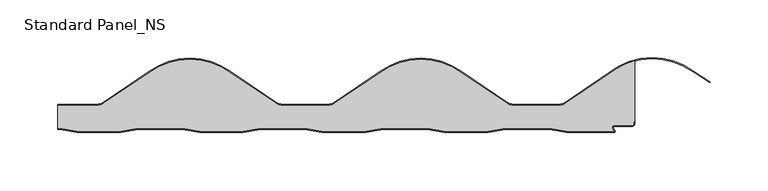
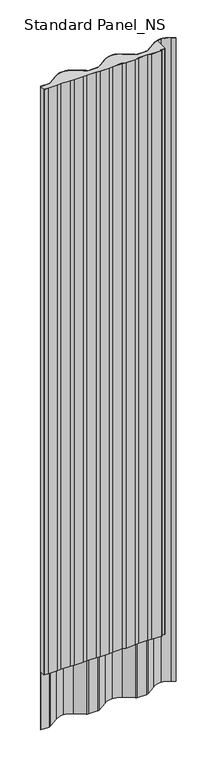
"""IFC4 building model written with IfcOpenShell, lengths in millimetres: proxy geometry, Standard Panel_NS."""

from ifc_helpers import new_model, si_unit, point, frame, frame_2d, origin, origin_with_axes, place, context, project, spatial, polyline, circle_curve, trimmed, segment, composite_curve, outline, extrude, source, transform, mapped, element, save
from ifc_brep_helpers import plane_surface, cylinder_surface, revolved_surface, advanced_brep


def standard_panel_ns_37da6630(model_context):
    return source(origin(), model_context, "Body", "SolidModel", [
        advanced_brep(
        [(-249.4999998, 3.3, 2527.968552), (-249.4999998, 23.5, 2527.968552), (-249.4999998, 23.5, 0.0), (-249.4999998, 3.3, 0.0), (145.5323327, 23.5, 2527.968552), (139.2770008, 25.4959769, 2527.968552), (99.7455674, 52.1089905, 2527.968552), (64.8322401, 63.5, 2527.968552), (29.9189128, 52.1089905, 2527.968552), (-9.6084138, 25.4988948, 2527.968552), (-15.8676529, 23.5, 2527.968552), (-54.4676673, 23.5, 2527.968552), (-60.7229992, 25.4959769, 2527.968552), (-100.2544326, 52.1089905, 2527.968552), (-135.1677599, 63.5, 2527.968552), (-170.0810872, 52.1089905, 2527.968552), (-209.6084138, 25.4988948, 2527.968552), (-215.8676529, 23.5, 2527.968552), (-247.6686994, 3.3, 2527.968552), (-232.6686994, 0.8, 2527.968552), (-194.8011195, 0.8, 2527.968552), (-179.8011195, 3.3, 2527.968552), (-141.6686994, 3.3, 2527.968552), (-126.6686994, 0.8, 2527.968552), (-88.8011195, 0.8, 2527.968552), (-73.8011195, 3.3, 2527.968552), (-35.6686994, 3.3, 2527.968552), (-20.6686994, 0.8, 2527.968552), (17.1988805, 0.8, 2527.968552), (32.1988805, 3.3, 2527.968552), (70.3313006, 3.3, 2527.968552), (85.3313006, 0.8, 2527.968552), (123.1988805, 0.8, 2527.968552), (138.1988805, 3.3, 2527.968552), (176.3313006, 3.3, 2527.968552), (191.3313006, 0.8, 2527.968552), (232.4394087, 0.8, 2527.968552), (230.804032, 3.3204106, 2527.968552), (232.3140212, 6.1001721, 2527.968552), (247.9000913, 6.1001721, 2527.968552), (249.2000906, 7.4001714, 2527.968552), (249.2000906, 9.4001722, 2527.968552), (250.0000906, 9.4001722, 2527.968552), (250.0000906, 62.14035, 2527.968552), (227.7645919, 50.7322407, 2527.968552), (190.3874794, 25.4959769, 2527.968552), (184.1321475, 23.5, 2527.968552), (145.5323327, 23.5, 0.0), (184.1321475, 23.5, 0.0), (190.3874794, 25.4959769, 0.0), (227.7645919, 50.7322407, 0.0), (250.0000906, 62.14035, 0.0), (250.0000906, 9.4001722, 0.0), (249.2000906, 9.4001722, 0.0), (249.2000906, 7.4001714, 0.0), (247.9000913, 6.1001721, 0.0), (232.3140212, 6.1001721, 0.0), (230.804032, 3.3204106, 0.0), (232.4394087, 0.8, 0.0), (191.3313006, 0.8, 0.0), (176.3313006, 3.3, 0.0), (138.1988805, 3.3, 0.0), (123.1988805, 0.8, 0.0), (85.3313006, 0.8, 0.0), (70.3313006, 3.3, 0.0), (32.1988805, 3.3, 0.0), (17.1988805, 0.8, 0.0), (-20.6686994, 0.8, 0.0), (-35.6686994, 3.3, 0.0), (-73.8011195, 3.3, 0.0), (-88.8011195, 0.8, 0.0), (-126.6686994, 0.8, 0.0), (-141.6686994, 3.3, 0.0), (-179.8011195, 3.3, 0.0), (-194.8011195, 0.8, 0.0), (-232.6686994, 0.8, 0.0), (-247.6686994, 3.3, 0.0), (-215.8676529, 23.5, 0.0), (-209.608413, 25.4988938, 0.0), (-170.0810872, 52.1089905, 0.0), (-135.1677599, 63.5, 0.0), (-100.2544326, 52.1089905, 0.0), (-60.7229992, 25.4959769, 0.0), (-54.4676673, 23.5, 0.0), (-15.8676529, 23.5, 0.0), (-9.608413, 25.4988938, 0.0), (29.9189128, 52.1089905, 0.0), (64.8322401, 63.5, 0.0), (99.7455674, 52.1089905, 0.0), (139.2770008, 25.4959769, 0.0)],
        [
            (0, 1),
            (1, 2),
            (2, 3),
            (3, 0),
            (4, 5, circle_curve(frame((145.5323327, 34.3, 2527.968552), z_axis=(0.0, 0.0, -1.0), x_axis=(1.0, 0.0, 0.0)), 10.8)),
            (5, 6, circle_curve(frame((-407.9133967, -744.6433117, 2527.968552), z_axis=(0.0, 0.0, 1.0), x_axis=(1.0, 0.0, 0.0)), 944.7390407)),
            (6, 7, circle_curve(frame((64.8322401, 4.3, 2527.968552), z_axis=(0.0, 0.0, 1.0), x_axis=(1.0, 0.0, 0.0)), 59.2)),
            (7, 8, circle_curve(frame((64.8322401, 4.3, 2527.968552), z_axis=(0.0, 0.0, 1.0), x_axis=(1.0, 0.0, 0.0)), 59.2)),
            (8, 9, circle_curve(frame((537.5778769, -744.6433117, 2527.968552), z_axis=(0.0, 0.0, 1.0), x_axis=(1.0, 0.0, 0.0)), 944.7390407)),
            (9, 10, circle_curve(frame((-15.872948, 34.3159692, 2527.968552), z_axis=(0.0, 0.0, -1.0), x_axis=(1.0, 0.0, 0.0)), 10.8159704)),
            (10, 11),
            (11, 12, circle_curve(frame((-54.4676673, 34.3, 2527.968552), z_axis=(0.0, 0.0, -1.0), x_axis=(1.0, 0.0, 0.0)), 10.8)),
            (12, 13, circle_curve(frame((-607.9133967, -744.6433117, 2527.968552), z_axis=(0.0, 0.0, 1.0), x_axis=(1.0, 0.0, 0.0)), 944.7390407)),
            (13, 14, circle_curve(frame((-135.1677599, 4.3, 2527.968552), z_axis=(0.0, 0.0, 1.0), x_axis=(1.0, 0.0, 0.0)), 59.2)),
            (14, 15, circle_curve(frame((-135.1677599, 4.3, 2527.968552), z_axis=(0.0, 0.0, 1.0), x_axis=(1.0, 0.0, 0.0)), 59.2)),
            (15, 16, circle_curve(frame((337.5778769, -744.6433117, 2527.968552), z_axis=(0.0, 0.0, 1.0), x_axis=(1.0, 0.0, 0.0)), 944.7390407)),
            (16, 17, circle_curve(frame((-215.872948, 34.3159692, 2527.968552), z_axis=(0.0, 0.0, -1.0), x_axis=(1.0, 0.0, 0.0)), 10.8159704)),
            (17, 1),
            (0, 18),
            (18, 19),
            (19, 20),
            (20, 21),
            (21, 22),
            (22, 23),
            (23, 24),
            (24, 25),
            (25, 26),
            (26, 27),
            (27, 28),
            (28, 29),
            (29, 30),
            (30, 31),
            (31, 32),
            (32, 33),
            (33, 34),
            (34, 35),
            (35, 36),
            (36, 37),
            (37, 38, circle_curve(frame((232.3140212, 4.3001721, 2527.968552), z_axis=(0.0, 0.0, -1.0), x_axis=(1.0, 0.0, 0.0)), 1.8)),
            (38, 39),
            (39, 40, circle_curve(frame((247.9000913, 7.4001714, 2527.968552), z_axis=(0.0, 0.0, 1.0), x_axis=(1.0, 0.0, 0.0)), 1.2999993)),
            (40, 41),
            (41, 42),
            (42, 43),
            (43, 44, circle_curve(frame((265.2973575, 4.9508962, 2527.968552), z_axis=(0.0, 0.0, 1.0), x_axis=(1.0, 0.0, 0.0)), 59.2)),
            (44, 45, circle_curve(frame((737.5778769, -744.6433117, 2527.968552), z_axis=(0.0, 0.0, 1.0), x_axis=(1.0, 0.0, 0.0)), 944.7390407)),
            (45, 46, circle_curve(frame((184.1321475, 34.3, 2527.968552), z_axis=(0.0, 0.0, -1.0), x_axis=(1.0, 0.0, 0.0)), 10.8)),
            (46, 4),
            (47, 48),
            (48, 49, circle_curve(frame((184.1321475, 34.3, 0.0), z_axis=(0.0, 0.0, 1.0), x_axis=(1.0, 0.0, 0.0)), 10.8)),
            (49, 50, circle_curve(frame((737.5778769, -744.6433117, 0.0), z_axis=(0.0, 0.0, -1.0), x_axis=(1.0, 0.0, 0.0)), 944.7390407)),
            (50, 51, circle_curve(frame((265.2973575, 4.9508962, 0.0), z_axis=(0.0, 0.0, -1.0), x_axis=(1.0, 0.0, 0.0)), 59.2)),
            (51, 52),
            (52, 53),
            (53, 54),
            (54, 55, circle_curve(frame((247.9000913, 7.4001714, 0.0), z_axis=(0.0, 0.0, -1.0), x_axis=(1.0, 0.0, 0.0)), 1.2999993)),
            (55, 56),
            (56, 57, circle_curve(frame((232.3140212, 4.3001721, 0.0), z_axis=(0.0, 0.0, 1.0), x_axis=(1.0, 0.0, 0.0)), 1.8)),
            (57, 58),
            (58, 59),
            (59, 60),
            (60, 61),
            (61, 62),
            (62, 63),
            (63, 64),
            (64, 65),
            (65, 66),
            (66, 67),
            (67, 68),
            (68, 69),
            (69, 70),
            (70, 71),
            (71, 72),
            (72, 73),
            (73, 74),
            (74, 75),
            (75, 76),
            (76, 3),
            (2, 77),
            (77, 78, circle_curve(frame((-215.872948, 34.3159692, 0.0), z_axis=(0.0, 0.0, 1.0), x_axis=(1.0, 0.0, 0.0)), 10.8159704)),
            (78, 79, circle_curve(frame((337.5778769, -744.6433117, 0.0), z_axis=(0.0, 0.0, -1.0), x_axis=(1.0, 0.0, 0.0)), 944.7390407)),
            (79, 80, circle_curve(frame((-135.1677599, 4.3, 0.0), z_axis=(0.0, 0.0, -1.0), x_axis=(1.0, 0.0, 0.0)), 59.2)),
            (80, 81, circle_curve(frame((-135.1677599, 4.3, 0.0), z_axis=(0.0, 0.0, -1.0), x_axis=(1.0, 0.0, 0.0)), 59.2)),
            (81, 82, circle_curve(frame((-607.9133967, -744.6433117, 0.0), z_axis=(0.0, 0.0, -1.0), x_axis=(1.0, 0.0, 0.0)), 944.7390407)),
            (82, 83, circle_curve(frame((-54.4676673, 34.3, 0.0), z_axis=(0.0, 0.0, 1.0), x_axis=(1.0, 0.0, 0.0)), 10.8)),
            (83, 84),
            (84, 85, circle_curve(frame((-15.872948, 34.3159692, 0.0), z_axis=(0.0, 0.0, 1.0), x_axis=(1.0, 0.0, 0.0)), 10.8159704)),
            (85, 86, circle_curve(frame((537.5778769, -744.6433117, 0.0), z_axis=(0.0, 0.0, -1.0), x_axis=(1.0, 0.0, 0.0)), 944.7390407)),
            (86, 87, circle_curve(frame((64.8322401, 4.3, 0.0), z_axis=(0.0, 0.0, -1.0), x_axis=(1.0, 0.0, 0.0)), 59.2)),
            (87, 88, circle_curve(frame((64.8322401, 4.3, 0.0), z_axis=(0.0, 0.0, -1.0), x_axis=(1.0, 0.0, 0.0)), 59.2)),
            (88, 89, circle_curve(frame((-407.9133967, -744.6433117, 0.0), z_axis=(0.0, 0.0, -1.0), x_axis=(1.0, 0.0, 0.0)), 944.7390407)),
            (89, 47, circle_curve(frame((145.5323327, 34.3, 0.0), z_axis=(0.0, 0.0, 1.0), x_axis=(1.0, 0.0, 0.0)), 10.8)),
            (4, 47),
            (89, 5),
            (88, 6),
            (87, 7),
            (86, 8),
            (85, 9),
            (84, 10),
            (83, 11),
            (82, 12),
            (81, 13),
            (80, 14),
            (79, 15),
            (78, 16),
            (77, 17),
            (76, 18),
            (75, 19),
            (74, 20),
            (73, 21),
            (72, 22),
            (71, 23),
            (70, 24),
            (69, 25),
            (68, 26),
            (67, 27),
            (66, 28),
            (65, 29),
            (64, 30),
            (63, 31),
            (62, 32),
            (61, 33),
            (60, 34),
            (59, 35),
            (58, 36),
            (57, 37),
            (56, 38),
            (55, 39),
            (54, 40),
            (53, 41),
            (52, 42),
            (51, 43),
            (50, 44),
            (49, 45),
            (48, 46),
        ],
        [
            plane_surface(frame((-249.4999998, -30.0, 2527.968552), z_axis=(-1.0, 0.0, 0.0), x_axis=(0.0, 0.0, -1.0))),
            plane_surface(frame((-249.9999094, 0.0, 2527.968552), z_axis=(0.0, 0.0, 1.0), x_axis=(0.0, -1.0, 0.0))),
            plane_surface(frame((-249.9999094, 0.0, 0.0), z_axis=(0.0, 0.0, -1.0), x_axis=(0.0, -1.0, 0.0))),
            revolved_surface(polyline([(156.33233270000002, 34.3, 0.0), (156.33233270000002, 34.3, 2527.968552)]), (145.5323327, 34.3, 2527.968552), (0.0, 0.0, -1.0)),
            cylinder_surface(frame((-407.9133967, -744.6433117, 2527.968552), z_axis=(0.0, 0.0, 1.0), x_axis=(1.0, 0.0, 0.0)), 944.7390407),
            cylinder_surface(frame((64.8322401, 4.3, 2527.968552), z_axis=(0.0, 0.0, 1.0), x_axis=(1.0, 0.0, 0.0)), 59.2),
            cylinder_surface(frame((537.5778769, -744.6433117, 2527.968552), z_axis=(0.0, 0.0, 1.0), x_axis=(1.0, 0.0, 0.0)), 944.7390407),
            revolved_surface(polyline([(-5.0569776, 34.3159692, 0.0), (-5.0569776, 34.3159692, 2527.968552)]), (-15.872948, 34.3159692, 2527.968552), (0.0, 0.0, -1.0)),
            plane_surface(frame((-15.8676529, 23.5, 2527.968552), z_axis=(0.0, 1.0, 0.0), x_axis=(0.0, 0.0, -1.0))),
            revolved_surface(polyline([(-43.667667300000005, 34.3, 0.0), (-43.667667300000005, 34.3, 2527.968552)]), (-54.4676673, 34.3, 2527.968552), (0.0, 0.0, -1.0)),
            cylinder_surface(frame((-607.9133967, -744.6433117, 2527.968552), z_axis=(0.0, 0.0, 1.0), x_axis=(1.0, 0.0, 0.0)), 944.7390407),
            cylinder_surface(frame((-135.1677599, 4.3, 2527.968552), z_axis=(0.0, 0.0, 1.0), x_axis=(1.0, 0.0, 0.0)), 59.2),
            cylinder_surface(frame((337.5778769, -744.6433117, 2527.968552), z_axis=(0.0, 0.0, 1.0), x_axis=(1.0, 0.0, 0.0)), 944.7390407),
            revolved_surface(polyline([(-205.0569776, 34.3159692, 0.0), (-205.0569776, 34.3159692, 2527.968552)]), (-215.872948, 34.3159692, 2527.968552), (0.0, 0.0, -1.0)),
            plane_surface(frame((-215.8676529, 23.5, 2527.968552), z_axis=(0.0, 1.0, 0.0), x_axis=(0.0, 0.0, -1.0))),
            plane_surface(frame((-285.8011195, 3.3, 2527.968552), z_axis=(0.0, -1.0, 0.0), x_axis=(0.0, 0.0, -1.0))),
            plane_surface(frame((-247.6686994, 3.3, 2527.968552), z_axis=(-0.16439898730535413, -0.9863939238321443, 0.0), x_axis=(0.0, 0.0, -1.0))),
            plane_surface(frame((-232.6686994, 0.8, 2527.968552), z_axis=(0.0, -1.0, 0.0), x_axis=(0.0, 0.0, -1.0))),
            plane_surface(frame((-194.8011195, 0.8, 2527.968552), z_axis=(0.1643989873053605, -0.9863939238321432, 0.0), x_axis=(0.0, 0.0, -1.0))),
            plane_surface(frame((-179.8011195, 3.3, 2527.968552), z_axis=(0.0, -1.0, 0.0), x_axis=(0.0, 0.0, -1.0))),
            plane_surface(frame((-141.6686994, 3.3, 2527.968552), z_axis=(-0.16439898730535482, -0.9863939238321442, 0.0), x_axis=(0.0, 0.0, -1.0))),
            plane_surface(frame((-126.6686994, 0.8, 2527.968552), z_axis=(0.0, -1.0, 0.0), x_axis=(0.0, 0.0, -1.0))),
            plane_surface(frame((-88.8011195, 0.8, 2527.968552), z_axis=(0.1643989873053612, -0.9863939238321431, 0.0), x_axis=(0.0, 0.0, -1.0))),
            plane_surface(frame((-73.8011195, 3.3, 2527.968552), z_axis=(0.0, -1.0, 0.0), x_axis=(0.0, 0.0, -1.0))),
            plane_surface(frame((-35.6686994, 3.3, 2527.968552), z_axis=(-0.16439898730535482, -0.9863939238321442, 0.0), x_axis=(0.0, 0.0, -1.0))),
            plane_surface(frame((-20.6686994, 0.8, 2527.968552), z_axis=(0.0, -1.0, 0.0), x_axis=(0.0, 0.0, -1.0))),
            plane_surface(frame((17.1988805, 0.8, 2527.968552), z_axis=(0.1643989873053612, -0.9863939238321431, 0.0), x_axis=(0.0, 0.0, -1.0))),
            plane_surface(frame((32.1988805, 3.3, 2527.968552), z_axis=(0.0, -1.0, 0.0), x_axis=(0.0, 0.0, -1.0))),
            plane_surface(frame((70.3313006, 3.3, 2527.968552), z_axis=(-0.1643989873053548, -0.9863939238321442, 0.0), x_axis=(0.0, 0.0, -1.0))),
            plane_surface(frame((85.3313006, 0.8, 2527.968552), z_axis=(0.0, -1.0, 0.0), x_axis=(0.0, 0.0, -1.0))),
            plane_surface(frame((123.1988805, 0.8, 2527.968552), z_axis=(0.16439898730536118, -0.9863939238321431, 0.0), x_axis=(0.0, 0.0, -1.0))),
            plane_surface(frame((138.1988805, 3.3, 2527.968552), z_axis=(0.0, -1.0, 0.0), x_axis=(0.0, 0.0, -1.0))),
            plane_surface(frame((176.3313006, 3.3, 2527.968552), z_axis=(-0.1643989873053548, -0.9863939238321442, 0.0), x_axis=(0.0, 0.0, -1.0))),
            plane_surface(frame((191.3313006, 0.8, 2527.968552), z_axis=(0.0, -1.0, 0.0), x_axis=(0.0, 0.0, -1.0))),
            plane_surface(frame((232.4394087, 0.8, 2527.968552), z_axis=(0.838882890058634, 0.5443119480287694, 0.0), x_axis=(0.0, 0.0, -1.0))),
            revolved_surface(polyline([(234.11402120000002, 4.3001721, 0.0), (234.11402120000002, 4.3001721, 2527.968552)]), (232.3140212, 4.3001721, 2527.968552), (0.0, 0.0, -1.0)),
            plane_surface(frame((232.3140212, 6.1001721, 2527.968552), z_axis=(0.0, -1.0, 0.0), x_axis=(0.0, 0.0, -1.0))),
            cylinder_surface(frame((247.9000913, 7.4001714, 2527.968552), z_axis=(0.0, 0.0, 1.0), x_axis=(1.0, 0.0, 0.0)), 1.2999993),
            plane_surface(frame((249.2000906, 7.4001714, 2527.968552), z_axis=(1.0, 0.0, 0.0), x_axis=(0.0, 0.0, -1.0))),
            plane_surface(frame((249.2000906, 9.4001722, 2527.968552), z_axis=(0.0, -1.0, 0.0), x_axis=(0.0, 0.0, -1.0))),
            plane_surface(frame((250.0000906, 9.4001722, 2527.968552), z_axis=(1.0, 0.0, 0.0), x_axis=(0.0, 0.0, -1.0))),
            cylinder_surface(frame((265.2973575, 4.9508962, 2527.968552), z_axis=(0.0, 0.0, 1.0), x_axis=(1.0, 0.0, 0.0)), 59.2),
            cylinder_surface(frame((737.5778769, -744.6433117, 2527.968552), z_axis=(0.0, 0.0, 1.0), x_axis=(1.0, 0.0, 0.0)), 944.7390407),
            revolved_surface(polyline([(194.9321475, 34.3, 0.0), (194.9321475, 34.3, 2527.968552)]), (184.1321475, 34.3, 2527.968552), (0.0, 0.0, -1.0)),
            plane_surface(frame((184.1321475, 23.5, 2527.968552), z_axis=(0.0, 1.0, 0.0), x_axis=(0.0, 0.0, -1.0))),
        ],
        [
            (0, [[1, 2, 3, 4]]),
            (1, [[5, 6, 7, 8, 9, 10, 11, 12, 13, 14, 15, 16, 17, 18, -1, 19, 20, 21, 22, 23, 24, 25, 26, 27, 28, 29, 30, 31, 32, 33, 34, 35, 36, 37, 38, 39, 40, 41, 42, 43, 44, 45, 46, 47, 48]]),
            (2, [[49, 50, 51, 52, 53, 54, 55, 56, 57, 58, 59, 60, 61, 62, 63, 64, 65, 66, 67, 68, 69, 70, 71, 72, 73, 74, 75, 76, 77, 78, -3, 79, 80, 81, 82, 83, 84, 85, 86, 87, 88, 89, 90, 91, 92]]),
            (3, [[-5, 93, -92, 94]]),
            (4, [[-6, -94, -91, 95]]),
            (5, [[-7, -95, -90, 96]]),
            (5, [[-8, -96, -89, 97]]),
            (6, [[-9, -97, -88, 98]]),
            (7, [[-10, -98, -87, 99]]),
            (8, [[-11, -99, -86, 100]]),
            (9, [[-12, -100, -85, 101]]),
            (10, [[-13, -101, -84, 102]]),
            (11, [[-14, -102, -83, 103]]),
            (11, [[-15, -103, -82, 104]]),
            (12, [[-16, -104, -81, 105]]),
            (13, [[-17, -105, -80, 106]]),
            (14, [[-106, -79, -2, -18]]),
            (15, [[107, -19, -4, -78]]),
            (16, [[-20, -107, -77, 108]]),
            (17, [[-21, -108, -76, 109]]),
            (18, [[-22, -109, -75, 110]]),
            (19, [[-23, -110, -74, 111]]),
            (20, [[-24, -111, -73, 112]]),
            (21, [[-25, -112, -72, 113]]),
            (22, [[-26, -113, -71, 114]]),
            (23, [[-27, -114, -70, 115]]),
            (24, [[-28, -115, -69, 116]]),
            (25, [[-29, -116, -68, 117]]),
            (26, [[-30, -117, -67, 118]]),
            (27, [[-31, -118, -66, 119]]),
            (28, [[-32, -119, -65, 120]]),
            (29, [[-33, -120, -64, 121]]),
            (30, [[-34, -121, -63, 122]]),
            (31, [[-35, -122, -62, 123]]),
            (32, [[-36, -123, -61, 124]]),
            (33, [[-37, -124, -60, 125]]),
            (34, [[-38, -125, -59, 126]]),
            (35, [[-39, -126, -58, 127]]),
            (36, [[-40, -127, -57, 128]]),
            (37, [[-41, -128, -56, 129]]),
            (38, [[-42, -129, -55, 130]]),
            (39, [[-43, -130, -54, 131]]),
            (40, [[-44, -131, -53, 132]]),
            (41, [[-45, -132, -52, 133]]),
            (42, [[-46, -133, -51, 134]]),
            (43, [[-47, -134, -50, 135]]),
            (44, [[-48, -135, -49, -93]]),
        ],
    ),
        extrude(outline(composite_curve([segment(trimmed(circle_curve(frame_2d((247.9000913, 7.4001714)), 2.0999993), [point((250.0000906, 7.4001714))], [point((247.9000913, 5.3001721))], False, "CARTESIAN"), True, "CONTINUOUS"), segment(polyline([(247.9000913, 5.3001721), (232.3140212, 5.3001721)]), True, "CONTINUOUS"), segment(trimmed(circle_curve(frame_2d((232.3140212, 4.3001721)), 1.0), [point((232.3140212, 5.3001721))], [point((231.4751383, 3.7558601))], True, "CARTESIAN"), True, "CONTINUOUS"), segment(polyline([(231.4751383, 3.7558601), (232.9101087, 1.5443119)]), True, "CONTINUOUS"), segment(trimmed(circle_curve(frame_2d((232.0712258, 1.0)), 1.0), [point((232.9101087, 1.5443119))], [point((232.0712258, 0.0))], False, "CARTESIAN"), True, "CONTINUOUS"), segment(polyline([(232.0712258, 0.0), (191.2650906, 0.0), (176.2650906, 2.5), (138.2650906, 2.5), (123.2650906, 0.0), (85.2650906, 0.0), (70.2650906, 2.5), (32.2650906, 2.5), (17.2650906, 0.0), (-20.7349094, 0.0), (-35.7349094, 2.5), (-73.7349094, 2.5), (-88.7349094, 0.0), (-126.7349094, 0.0), (-141.7349094, 2.5), (-179.7349094, 2.5), (-194.7349094, 0.0), (-232.7349094, 0.0), (-247.7349094, 2.5), (-249.4999998, 2.5), (-249.4999998, 3.3), (-247.6686994, 3.3), (-232.6686994, 0.8), (-194.8011195, 0.8), (-179.8011195, 3.3), (-141.6686994, 3.3), (-126.6686994, 0.8), (-88.8011195, 0.8), (-73.8011195, 3.3), (-35.6686994, 3.3), (-20.6686994, 0.8), (17.1988805, 0.8), (32.1988805, 3.3), (70.3313006, 3.3), (85.3313006, 0.8), (123.1988805, 0.8), (138.1988805, 3.3), (176.3313006, 3.3), (191.3313006, 0.8), (232.4394087, 0.8), (230.804032, 3.3204106)]), True, "CONTINUOUS"), segment(trimmed(circle_curve(frame_2d((232.3140212, 4.3001721)), 1.8), [point((230.804032, 3.3204106))], [point((232.3140212, 6.1001721))], False, "CARTESIAN"), True, "CONTINUOUS"), segment(polyline([(232.3140212, 6.1001721), (247.9000913, 6.1001721)]), True, "CONTINUOUS"), segment(trimmed(circle_curve(frame_2d((247.9000913, 7.4001714)), 1.2999993), [point((247.9000913, 6.1001721))], [point((249.2000906, 7.4001714))], True, "CARTESIAN"), True, "CONTINUOUS"), segment(polyline([(249.2000906, 7.4001714), (249.2000906, 9.4001722), (250.0000906, 9.4001722), (250.0000906, 7.4001714)]), True, "CONTINUOUS")], self_intersect=False)), origin_with_axes(), (0.0, 0.0, 1.0), 2527.968552),
        advanced_brep(
        [(-215.8676529, 23.5, 2527.968552), (-209.608413, 25.4988938, 2527.968552), (-170.0810872, 52.1089905, 2527.968552), (-135.1677599, 63.5, 2527.968552), (-100.2544326, 52.1089905, 2527.968552), (-60.7229992, 25.4959769, 2527.968552), (-54.4676673, 23.5, 2527.968552), (-15.8676529, 23.5, 2527.968552), (-9.608413, 25.4988938, 2527.968552), (29.9189128, 52.1089905, 2527.968552), (64.8322401, 63.5, 2527.968552), (99.7455674, 52.1089905, 2527.968552), (139.2770008, 25.4959769, 2527.968552), (145.5323327, 23.5, 2527.968552), (184.1321475, 23.5, 2527.968552), (190.3874794, 25.4959769, 2527.968552), (227.7645919, 50.7322407, 2527.968552), (265.2973575, 64.1508962, 2527.968552), (300.1967243, 52.7700785, 2527.968552), (315.0958708, 43.0782637, 2527.968552), (315.5384206, 43.7447092, 2527.968552), (300.6478433, 53.431234, 2527.968552), (265.2973575, 64.9508962, 2527.968552), (227.2936611, 51.3806179, 2527.968552), (189.9241215, 26.1481268, 2527.968552), (184.1321475, 24.3, 2527.968552), (145.5323327, 24.3, 2527.968552), (139.7403587, 26.1481268, 2527.968552), (100.1967963, 52.7700749, 2527.968552), (64.8322401, 64.3, 2527.968552), (29.4676839, 52.7700749, 2527.968552), (-10.0717682, 26.1510471, 2527.968552), (-15.8678525, 24.3, 2527.968552), (-54.4676673, 24.3, 2527.968552), (-60.2596413, 26.1481268, 2527.968552), (-99.8032037, 52.7700749, 2527.968552), (-135.1677599, 64.3, 2527.968552), (-170.5323161, 52.7700749, 2527.968552), (-210.0717682, 26.1510471, 2527.968552), (-215.8678525, 24.3, 2527.968552), (-249.4999998, 24.3, 2527.968552), (-249.4999998, 23.5, 2527.968552), (-215.8678525, 24.3, -250.0), (-210.0717675, 26.1510461, -250.0), (-170.5323161, 52.7700749, -250.0), (-135.1677599, 64.3, -250.0), (-99.8032037, 52.7700749, -250.0), (-60.2596413, 26.1481268, -250.0), (-54.4676673, 24.3, -250.0), (-15.8678525, 24.3, -250.0), (-10.0717675, 26.1510461, -250.0), (29.4676839, 52.7700749, -250.0), (64.8322401, 64.3, -250.0), (100.1967963, 52.7700749, -250.0), (139.7403587, 26.1481268, -250.0), (145.5323327, 24.3, -250.0), (184.1321475, 24.3, -250.0), (189.9241215, 26.1481268, -250.0), (227.2936611, 51.3806179, -250.0), (265.2973575, 64.9508962, -250.0), (300.6478433, 53.431234, -250.0), (315.5384206, 43.7447092, -250.0), (315.0958708, 43.0782637, -250.0), (300.1967243, 52.7700785, -250.0), (265.2973575, 64.1508962, -250.0), (227.7645919, 50.7322407, -250.0), (190.3874794, 25.4959769, -250.0), (184.1321475, 23.5, -250.0), (145.5323327, 23.5, -250.0), (139.2770008, 25.4959769, -250.0), (99.7455674, 52.1089905, -250.0), (64.8322401, 63.5, -250.0), (29.9189128, 52.1089905, -250.0), (-9.6084138, 25.4988948, -250.0), (-15.8676529, 23.5, -250.0), (-54.4676673, 23.5, -250.0), (-60.7229992, 25.4959769, -250.0), (-100.2544326, 52.1089905, -250.0), (-135.1677599, 63.5, -250.0), (-170.0810872, 52.1089905, -250.0), (-209.6084138, 25.4988948, -250.0), (-215.8676529, 23.5, -250.0), (-249.4999998, 23.5, -250.0), (-249.4999998, 24.3, -250.0)],
        [
            (0, 1, circle_curve(frame((-215.872948, 34.3159692, 2527.968552), z_axis=(0.0, 0.0, 1.0), x_axis=(1.0, 0.0, 0.0)), 10.8159704)),
            (1, 2, circle_curve(frame((337.5778769, -744.6433117, 2527.968552), z_axis=(0.0, 0.0, -1.0), x_axis=(1.0, 0.0, 0.0)), 944.7390407)),
            (2, 3, circle_curve(frame((-135.1677599, 4.3, 2527.968552), z_axis=(0.0, 0.0, -1.0), x_axis=(1.0, 0.0, 0.0)), 59.2)),
            (3, 4, circle_curve(frame((-135.1677599, 4.3, 2527.968552), z_axis=(0.0, 0.0, -1.0), x_axis=(1.0, 0.0, 0.0)), 59.2)),
            (4, 5, circle_curve(frame((-607.9133967, -744.6433117, 2527.968552), z_axis=(0.0, 0.0, -1.0), x_axis=(1.0, 0.0, 0.0)), 944.7390407)),
            (5, 6, circle_curve(frame((-54.4676673, 34.3, 2527.968552), z_axis=(0.0, 0.0, 1.0), x_axis=(1.0, 0.0, 0.0)), 10.8)),
            (6, 7),
            (7, 8, circle_curve(frame((-15.872948, 34.3159692, 2527.968552), z_axis=(0.0, 0.0, 1.0), x_axis=(1.0, 0.0, 0.0)), 10.8159704)),
            (8, 9, circle_curve(frame((537.5778769, -744.6433117, 2527.968552), z_axis=(0.0, 0.0, -1.0), x_axis=(1.0, 0.0, 0.0)), 944.7390407)),
            (9, 10, circle_curve(frame((64.8322401, 4.3, 2527.968552), z_axis=(0.0, 0.0, -1.0), x_axis=(1.0, 0.0, 0.0)), 59.2)),
            (10, 11, circle_curve(frame((64.8322401, 4.3, 2527.968552), z_axis=(0.0, 0.0, -1.0), x_axis=(1.0, 0.0, 0.0)), 59.2)),
            (11, 12, circle_curve(frame((-407.9133967, -744.6433117, 2527.968552), z_axis=(0.0, 0.0, -1.0), x_axis=(1.0, 0.0, 0.0)), 944.7390407)),
            (12, 13, circle_curve(frame((145.5323327, 34.3, 2527.968552), z_axis=(0.0, 0.0, 1.0), x_axis=(1.0, 0.0, 0.0)), 10.8)),
            (13, 14),
            (14, 15, circle_curve(frame((184.1321475, 34.3, 2527.968552), z_axis=(0.0, 0.0, 1.0), x_axis=(1.0, 0.0, 0.0)), 10.8)),
            (15, 16, circle_curve(frame((737.5778769, -744.6433117, 2527.968552), z_axis=(0.0, 0.0, -1.0), x_axis=(1.0, 0.0, 0.0)), 944.7390407)),
            (16, 17, circle_curve(frame((265.2973575, 4.9508962, 2527.968552), z_axis=(0.0, 0.0, -1.0), x_axis=(1.0, 0.0, 0.0)), 59.2)),
            (17, 18, circle_curve(frame((265.2973575, 4.9508962, 2527.968552), z_axis=(0.0, 0.0, -1.0), x_axis=(1.0, 0.0, 0.0)), 59.2)),
            (18, 19, circle_curve(frame((-204.4492429, -739.3160553, 2527.968552), z_axis=(0.0, 0.0, -1.0), x_axis=(1.0, 0.0, 0.0)), 939.1847505)),
            (19, 20),
            (20, 21, circle_curve(frame((-204.4492429, -739.3160553, 2527.968552), z_axis=(0.0, 0.0, 1.0), x_axis=(1.0, 0.0, 0.0)), 939.9847505)),
            (21, 22, circle_curve(frame((265.2973575, 4.9508962, 2527.968552), z_axis=(0.0, 0.0, 1.0), x_axis=(1.0, 0.0, 0.0)), 60.0)),
            (22, 23, circle_curve(frame((265.2973575, 4.9508962, 2527.968552), z_axis=(0.0, 0.0, 1.0), x_axis=(1.0, 0.0, 0.0)), 60.0)),
            (23, 24, circle_curve(frame((737.5778769, -744.6433117, 2527.968552), z_axis=(0.0, 0.0, 1.0), x_axis=(1.0, 0.0, 0.0)), 945.5390407)),
            (24, 25, circle_curve(frame((184.1321475, 34.3, 2527.968552), z_axis=(0.0, 0.0, -1.0), x_axis=(1.0, 0.0, 0.0)), 10.0)),
            (25, 26),
            (26, 27, circle_curve(frame((145.5323327, 34.3, 2527.968552), z_axis=(0.0, 0.0, -1.0), x_axis=(1.0, 0.0, 0.0)), 10.0)),
            (27, 28, circle_curve(frame((-407.9133967, -744.6433117, 2527.968552), z_axis=(0.0, 0.0, 1.0), x_axis=(1.0, 0.0, 0.0)), 945.5390407)),
            (28, 29, circle_curve(frame((64.8322401, 4.3, 2527.968552), z_axis=(0.0, 0.0, 1.0), x_axis=(1.0, 0.0, 0.0)), 60.0)),
            (29, 30, circle_curve(frame((64.8322401, 4.3, 2527.968552), z_axis=(0.0, 0.0, 1.0), x_axis=(1.0, 0.0, 0.0)), 60.0)),
            (30, 31, circle_curve(frame((537.5778769, -744.6433117, 2527.968552), z_axis=(0.0, 0.0, 1.0), x_axis=(1.0, 0.0, 0.0)), 945.5390407)),
            (31, 32, circle_curve(frame((-15.872948, 34.3159692, 2527.968552), z_axis=(0.0, 0.0, -1.0), x_axis=(1.0, 0.0, 0.0)), 10.0159704)),
            (32, 33),
            (33, 34, circle_curve(frame((-54.4676673, 34.3, 2527.968552), z_axis=(0.0, 0.0, -1.0), x_axis=(1.0, 0.0, 0.0)), 10.0)),
            (34, 35, circle_curve(frame((-607.9133967, -744.6433117, 2527.968552), z_axis=(0.0, 0.0, 1.0), x_axis=(1.0, 0.0, 0.0)), 945.5390407)),
            (35, 36, circle_curve(frame((-135.1677599, 4.3, 2527.968552), z_axis=(0.0, 0.0, 1.0), x_axis=(1.0, 0.0, 0.0)), 60.0)),
            (36, 37, circle_curve(frame((-135.1677599, 4.3, 2527.968552), z_axis=(0.0, 0.0, 1.0), x_axis=(1.0, 0.0, 0.0)), 60.0)),
            (37, 38, circle_curve(frame((337.5778769, -744.6433117, 2527.968552), z_axis=(0.0, 0.0, 1.0), x_axis=(1.0, 0.0, 0.0)), 945.5390407)),
            (38, 39, circle_curve(frame((-215.872948, 34.3159692, 2527.968552), z_axis=(0.0, 0.0, -1.0), x_axis=(1.0, 0.0, 0.0)), 10.0159704)),
            (39, 40),
            (40, 41),
            (41, 0),
            (42, 43, circle_curve(frame((-215.872948, 34.3159692, -250.0), z_axis=(0.0, 0.0, 1.0), x_axis=(1.0, 0.0, 0.0)), 10.0159704)),
            (43, 44, circle_curve(frame((337.5778769, -744.6433117, -250.0), z_axis=(0.0, 0.0, -1.0), x_axis=(1.0, 0.0, 0.0)), 945.5390407)),
            (44, 45, circle_curve(frame((-135.1677599, 4.3, -250.0), z_axis=(0.0, 0.0, -1.0), x_axis=(1.0, 0.0, 0.0)), 60.0)),
            (45, 46, circle_curve(frame((-135.1677599, 4.3, -250.0), z_axis=(0.0, 0.0, -1.0), x_axis=(1.0, 0.0, 0.0)), 60.0)),
            (46, 47, circle_curve(frame((-607.9133967, -744.6433117, -250.0), z_axis=(0.0, 0.0, -1.0), x_axis=(1.0, 0.0, 0.0)), 945.5390407)),
            (47, 48, circle_curve(frame((-54.4676673, 34.3, -250.0), z_axis=(0.0, 0.0, 1.0), x_axis=(1.0, 0.0, 0.0)), 10.0)),
            (48, 49),
            (49, 50, circle_curve(frame((-15.872948, 34.3159692, -250.0), z_axis=(0.0, 0.0, 1.0), x_axis=(1.0, 0.0, 0.0)), 10.0159704)),
            (50, 51, circle_curve(frame((537.5778769, -744.6433117, -250.0), z_axis=(0.0, 0.0, -1.0), x_axis=(1.0, 0.0, 0.0)), 945.5390407)),
            (51, 52, circle_curve(frame((64.8322401, 4.3, -250.0), z_axis=(0.0, 0.0, -1.0), x_axis=(1.0, 0.0, 0.0)), 60.0)),
            (52, 53, circle_curve(frame((64.8322401, 4.3, -250.0), z_axis=(0.0, 0.0, -1.0), x_axis=(1.0, 0.0, 0.0)), 60.0)),
            (53, 54, circle_curve(frame((-407.9133967, -744.6433117, -250.0), z_axis=(0.0, 0.0, -1.0), x_axis=(1.0, 0.0, 0.0)), 945.5390407)),
            (54, 55, circle_curve(frame((145.5323327, 34.3, -250.0), z_axis=(0.0, 0.0, 1.0), x_axis=(1.0, 0.0, 0.0)), 10.0)),
            (55, 56),
            (56, 57, circle_curve(frame((184.1321475, 34.3, -250.0), z_axis=(0.0, 0.0, 1.0), x_axis=(1.0, 0.0, 0.0)), 10.0)),
            (57, 58, circle_curve(frame((737.5778769, -744.6433117, -250.0), z_axis=(0.0, 0.0, -1.0), x_axis=(1.0, 0.0, 0.0)), 945.5390407)),
            (58, 59, circle_curve(frame((265.2973575, 4.9508962, -250.0), z_axis=(0.0, 0.0, -1.0), x_axis=(1.0, 0.0, 0.0)), 60.0)),
            (59, 60, circle_curve(frame((265.2973575, 4.9508962, -250.0), z_axis=(0.0, 0.0, -1.0), x_axis=(1.0, 0.0, 0.0)), 60.0)),
            (60, 61, circle_curve(frame((-204.4492429, -739.3160553, -250.0), z_axis=(0.0, 0.0, -1.0), x_axis=(1.0, 0.0, 0.0)), 939.9847505)),
            (61, 62),
            (62, 63, circle_curve(frame((-204.4492429, -739.3160553, -250.0), z_axis=(0.0, 0.0, 1.0), x_axis=(1.0, 0.0, 0.0)), 939.1847505)),
            (63, 64, circle_curve(frame((265.2973575, 4.9508962, -250.0), z_axis=(0.0, 0.0, 1.0), x_axis=(1.0, 0.0, 0.0)), 59.2)),
            (64, 65, circle_curve(frame((265.2973575, 4.9508962, -250.0), z_axis=(0.0, 0.0, 1.0), x_axis=(1.0, 0.0, 0.0)), 59.2)),
            (65, 66, circle_curve(frame((737.5778769, -744.6433117, -250.0), z_axis=(0.0, 0.0, 1.0), x_axis=(1.0, 0.0, 0.0)), 944.7390407)),
            (66, 67, circle_curve(frame((184.1321475, 34.3, -250.0), z_axis=(0.0, 0.0, -1.0), x_axis=(1.0, 0.0, 0.0)), 10.8)),
            (67, 68),
            (68, 69, circle_curve(frame((145.5323327, 34.3, -250.0), z_axis=(0.0, 0.0, -1.0), x_axis=(1.0, 0.0, 0.0)), 10.8)),
            (69, 70, circle_curve(frame((-407.9133967, -744.6433117, -250.0), z_axis=(0.0, 0.0, 1.0), x_axis=(1.0, 0.0, 0.0)), 944.7390407)),
            (70, 71, circle_curve(frame((64.8322401, 4.3, -250.0), z_axis=(0.0, 0.0, 1.0), x_axis=(1.0, 0.0, 0.0)), 59.2)),
            (71, 72, circle_curve(frame((64.8322401, 4.3, -250.0), z_axis=(0.0, 0.0, 1.0), x_axis=(1.0, 0.0, 0.0)), 59.2)),
            (72, 73, circle_curve(frame((537.5778769, -744.6433117, -250.0), z_axis=(0.0, 0.0, 1.0), x_axis=(1.0, 0.0, 0.0)), 944.7390407)),
            (73, 74, circle_curve(frame((-15.872948, 34.3159692, -250.0), z_axis=(0.0, 0.0, -1.0), x_axis=(1.0, 0.0, 0.0)), 10.8159704)),
            (74, 75),
            (75, 76, circle_curve(frame((-54.4676673, 34.3, -250.0), z_axis=(0.0, 0.0, -1.0), x_axis=(1.0, 0.0, 0.0)), 10.8)),
            (76, 77, circle_curve(frame((-607.9133967, -744.6433117, -250.0), z_axis=(0.0, 0.0, 1.0), x_axis=(1.0, 0.0, 0.0)), 944.7390407)),
            (77, 78, circle_curve(frame((-135.1677599, 4.3, -250.0), z_axis=(0.0, 0.0, 1.0), x_axis=(1.0, 0.0, 0.0)), 59.2)),
            (78, 79, circle_curve(frame((-135.1677599, 4.3, -250.0), z_axis=(0.0, 0.0, 1.0), x_axis=(1.0, 0.0, 0.0)), 59.2)),
            (79, 80, circle_curve(frame((337.5778769, -744.6433117, -250.0), z_axis=(0.0, 0.0, 1.0), x_axis=(1.0, 0.0, 0.0)), 944.7390407)),
            (80, 81, circle_curve(frame((-215.872948, 34.3159692, -250.0), z_axis=(0.0, 0.0, -1.0), x_axis=(1.0, 0.0, 0.0)), 10.8159704)),
            (81, 82),
            (82, 83),
            (83, 42),
            (40, 83),
            (82, 41),
            (81, 0),
            (80, 1),
            (79, 2),
            (78, 3),
            (77, 4),
            (76, 5),
            (75, 6),
            (74, 7),
            (73, 8),
            (72, 9),
            (71, 10),
            (70, 11),
            (69, 12),
            (68, 13),
            (67, 14),
            (66, 15),
            (65, 16),
            (64, 17),
            (63, 18),
            (62, 19),
            (61, 20),
            (60, 21),
            (59, 22),
            (58, 23),
            (57, 24),
            (56, 25),
            (55, 26),
            (54, 27),
            (53, 28),
            (52, 29),
            (51, 30),
            (50, 31),
            (49, 32),
            (48, 33),
            (47, 34),
            (46, 35),
            (45, 36),
            (44, 37),
            (43, 38),
            (42, 39),
        ],
        [
            plane_surface(frame((-249.9999094, 24.3, 2527.968552), z_axis=(0.0, 0.0, 1.0), x_axis=(0.0, 1.0, 0.0))),
            plane_surface(frame((-249.9999094, 24.3, -250.0), z_axis=(0.0, 0.0, -1.0), x_axis=(0.0, 1.0, 0.0))),
            plane_surface(frame((-249.4999998, -30.0, 2527.968552), z_axis=(-1.0, 0.0, 0.0), x_axis=(0.0, 0.0, -1.0))),
            plane_surface(frame((-254.4676673, 23.5, 2527.968552), z_axis=(0.0, -1.0, 0.0), x_axis=(0.0, 0.0, -1.0))),
            cylinder_surface(frame((-215.872948, 34.3159692, 2527.968552), z_axis=(0.0, 0.0, 1.0), x_axis=(1.0, 0.0, 0.0)), 10.8159704),
            revolved_surface(polyline([(1282.3169176000001, -744.6433117, -250.0), (1282.3169176000001, -744.6433117, 2527.968552)]), (337.5778769, -744.6433117, 2527.968552), (0.0, 0.0, -1.0)),
            revolved_surface(polyline([(-75.96775989999999, 4.3, -250.0), (-75.96775989999999, 4.3, 2527.968552)]), (-135.1677599, 4.3, 2527.968552), (0.0, 0.0, -1.0)),
            revolved_surface(polyline([(336.825644, -744.6433117, -250.0), (336.825644, -744.6433117, 2527.968552)]), (-607.9133967, -744.6433117, 2527.968552), (0.0, 0.0, -1.0)),
            cylinder_surface(frame((-54.4676673, 34.3, 2527.968552), z_axis=(0.0, 0.0, 1.0), x_axis=(1.0, 0.0, 0.0)), 10.8),
            plane_surface(frame((-54.4676673, 23.5, 2527.968552), z_axis=(0.0, -1.0, 0.0), x_axis=(0.0, 0.0, -1.0))),
            cylinder_surface(frame((-15.872948, 34.3159692, 2527.968552), z_axis=(0.0, 0.0, 1.0), x_axis=(1.0, 0.0, 0.0)), 10.8159704),
            revolved_surface(polyline([(1482.3169176000001, -744.6433117, -250.0), (1482.3169176000001, -744.6433117, 2527.968552)]), (537.5778769, -744.6433117, 2527.968552), (0.0, 0.0, -1.0)),
            revolved_surface(polyline([(124.03224010000001, 4.3, -250.0), (124.03224010000001, 4.3, 2527.968552)]), (64.8322401, 4.3, 2527.968552), (0.0, 0.0, -1.0)),
            revolved_surface(polyline([(536.825644, -744.6433117, -250.0), (536.825644, -744.6433117, 2527.968552)]), (-407.9133967, -744.6433117, 2527.968552), (0.0, 0.0, -1.0)),
            cylinder_surface(frame((145.5323327, 34.3, 2527.968552), z_axis=(0.0, 0.0, 1.0), x_axis=(1.0, 0.0, 0.0)), 10.8),
            plane_surface(frame((145.5323327, 23.5, 2527.968552), z_axis=(0.0, -1.0, 0.0), x_axis=(0.0, 0.0, -1.0))),
            cylinder_surface(frame((184.1321475, 34.3, 2527.968552), z_axis=(0.0, 0.0, 1.0), x_axis=(1.0, 0.0, 0.0)), 10.8),
            revolved_surface(polyline([(1682.3169176000001, -744.6433117, -250.0), (1682.3169176000001, -744.6433117, 2527.968552)]), (737.5778769, -744.6433117, 2527.968552), (0.0, 0.0, -1.0)),
            revolved_surface(polyline([(324.49735749999996, 4.9508962, -250.0), (324.49735749999996, 4.9508962, 2527.968552)]), (265.2973575, 4.9508962, 2527.968552), (0.0, 0.0, -1.0)),
            revolved_surface(polyline([(734.7355075999999, -739.3160553, -250.0), (734.7355075999999, -739.3160553, 2527.968552)]), (-204.4492429, -739.3160553, 2527.968552), (0.0, 0.0, -1.0)),
            plane_surface(frame((315.0958708, 43.0782637, 2527.968552), z_axis=(0.8330568810742917, -0.5531873397817176, 0.0), x_axis=(0.0, 0.0, -1.0))),
            cylinder_surface(frame((-204.4492429, -739.3160553, 2527.968552), z_axis=(0.0, 0.0, 1.0), x_axis=(1.0, 0.0, 0.0)), 939.9847505),
            cylinder_surface(frame((265.2973575, 4.9508962, 2527.968552), z_axis=(0.0, 0.0, 1.0), x_axis=(1.0, 0.0, 0.0)), 60.0),
            cylinder_surface(frame((737.5778769, -744.6433117, 2527.968552), z_axis=(0.0, 0.0, 1.0), x_axis=(1.0, 0.0, 0.0)), 945.5390407),
            revolved_surface(polyline([(194.1321475, 34.3, -250.0), (194.1321475, 34.3, 2527.968552)]), (184.1321475, 34.3, 2527.968552), (0.0, 0.0, -1.0)),
            plane_surface(frame((184.1321475, 24.3, 2527.968552), z_axis=(0.0, 1.0, 0.0), x_axis=(0.0, 0.0, -1.0))),
            revolved_surface(polyline([(155.5323327, 34.3, -250.0), (155.5323327, 34.3, 2527.968552)]), (145.5323327, 34.3, 2527.968552), (0.0, 0.0, -1.0)),
            cylinder_surface(frame((-407.9133967, -744.6433117, 2527.968552), z_axis=(0.0, 0.0, 1.0), x_axis=(1.0, 0.0, 0.0)), 945.5390407),
            cylinder_surface(frame((64.8322401, 4.3, 2527.968552), z_axis=(0.0, 0.0, 1.0), x_axis=(1.0, 0.0, 0.0)), 60.0),
            cylinder_surface(frame((537.5778769, -744.6433117, 2527.968552), z_axis=(0.0, 0.0, 1.0), x_axis=(1.0, 0.0, 0.0)), 945.5390407),
            revolved_surface(polyline([(-5.856977599999999, 34.3159692, -250.0), (-5.856977599999999, 34.3159692, 2527.968552)]), (-15.872948, 34.3159692, 2527.968552), (0.0, 0.0, -1.0)),
            plane_surface(frame((-15.8678525, 24.3, 2527.968552), z_axis=(0.0, 1.0, 0.0), x_axis=(0.0, 0.0, -1.0))),
            revolved_surface(polyline([(-44.4676673, 34.3, -250.0), (-44.4676673, 34.3, 2527.968552)]), (-54.4676673, 34.3, 2527.968552), (0.0, 0.0, -1.0)),
            cylinder_surface(frame((-607.9133967, -744.6433117, 2527.968552), z_axis=(0.0, 0.0, 1.0), x_axis=(1.0, 0.0, 0.0)), 945.5390407),
            cylinder_surface(frame((-135.1677599, 4.3, 2527.968552), z_axis=(0.0, 0.0, 1.0), x_axis=(1.0, 0.0, 0.0)), 60.0),
            cylinder_surface(frame((337.5778769, -744.6433117, 2527.968552), z_axis=(0.0, 0.0, 1.0), x_axis=(1.0, 0.0, 0.0)), 945.5390407),
            revolved_surface(polyline([(-205.8569776, 34.3159692, -250.0), (-205.8569776, 34.3159692, 2527.968552)]), (-215.872948, 34.3159692, 2527.968552), (0.0, 0.0, -1.0)),
            plane_surface(frame((-215.8678525, 24.3, 2527.968552), z_axis=(0.0, 1.0, 0.0), x_axis=(0.0, 0.0, -1.0))),
        ],
        [
            (0, [[1, 2, 3, 4, 5, 6, 7, 8, 9, 10, 11, 12, 13, 14, 15, 16, 17, 18, 19, 20, 21, 22, 23, 24, 25, 26, 27, 28, 29, 30, 31, 32, 33, 34, 35, 36, 37, 38, 39, 40, 41, 42]]),
            (1, [[43, 44, 45, 46, 47, 48, 49, 50, 51, 52, 53, 54, 55, 56, 57, 58, 59, 60, 61, 62, 63, 64, 65, 66, 67, 68, 69, 70, 71, 72, 73, 74, 75, 76, 77, 78, 79, 80, 81, 82, 83, 84]]),
            (2, [[-41, 85, -83, 86]]),
            (3, [[87, -42, -86, -82]]),
            (4, [[-1, -87, -81, 88]]),
            (5, [[-2, -88, -80, 89]]),
            (6, [[-3, -89, -79, 90]]),
            (6, [[-4, -90, -78, 91]]),
            (7, [[-5, -91, -77, 92]]),
            (8, [[-6, -92, -76, 93]]),
            (9, [[-7, -93, -75, 94]]),
            (10, [[-8, -94, -74, 95]]),
            (11, [[-9, -95, -73, 96]]),
            (12, [[-10, -96, -72, 97]]),
            (12, [[-11, -97, -71, 98]]),
            (13, [[-12, -98, -70, 99]]),
            (14, [[-13, -99, -69, 100]]),
            (15, [[-14, -100, -68, 101]]),
            (16, [[-15, -101, -67, 102]]),
            (17, [[-16, -102, -66, 103]]),
            (18, [[-17, -103, -65, 104]]),
            (18, [[-18, -104, -64, 105]]),
            (19, [[-19, -105, -63, 106]]),
            (20, [[-20, -106, -62, 107]]),
            (21, [[-21, -107, -61, 108]]),
            (22, [[-22, -108, -60, 109]]),
            (22, [[-23, -109, -59, 110]]),
            (23, [[-24, -110, -58, 111]]),
            (24, [[-25, -111, -57, 112]]),
            (25, [[-26, -112, -56, 113]]),
            (26, [[-27, -113, -55, 114]]),
            (27, [[-28, -114, -54, 115]]),
            (28, [[-29, -115, -53, 116]]),
            (28, [[-30, -116, -52, 117]]),
            (29, [[-31, -117, -51, 118]]),
            (30, [[-32, -118, -50, 119]]),
            (31, [[-33, -119, -49, 120]]),
            (32, [[-34, -120, -48, 121]]),
            (33, [[-35, -121, -47, 122]]),
            (34, [[-36, -122, -46, 123]]),
            (34, [[-37, -123, -45, 124]]),
            (35, [[-38, -124, -44, 125]]),
            (36, [[-39, -125, -43, 126]]),
            (37, [[-126, -84, -85, -40]]),
        ],
    ),
    ])


if __name__ == "__main__":
    model = new_model("IFC4")
    model_context = context("Model", 3, world=origin())
    ifc_project = project(units=[si_unit("LENGTHUNIT", "METRE", prefix="MILLI")], contexts=[model_context])
    site = spatial("IfcSite", under=ifc_project)
    building = spatial("IfcBuilding", under=site)
    placement = place(None, origin())
    standard_panel_ns_shape = standard_panel_ns_37da6630(model_context)
    element("IfcBuildingElementProxy", 1, Name="Standard Panel_NS", ObjectType="Standard Panel_NS", at=placement, inside=building, context=model_context, shape_type="MappedRepresentation", body=[
        mapped(standard_panel_ns_shape, transform((0.0, 0.0, 0.0), x_axis=(1.0, 0.0, 0.0), y_axis=(0.0, 1.0, 0.0), z_axis=(0.0, 0.0, 1.0))),
    ])
    save(model, "model.ifc")
